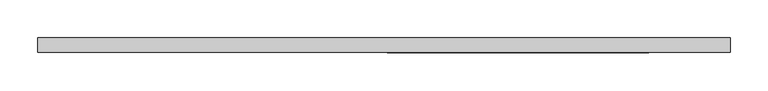
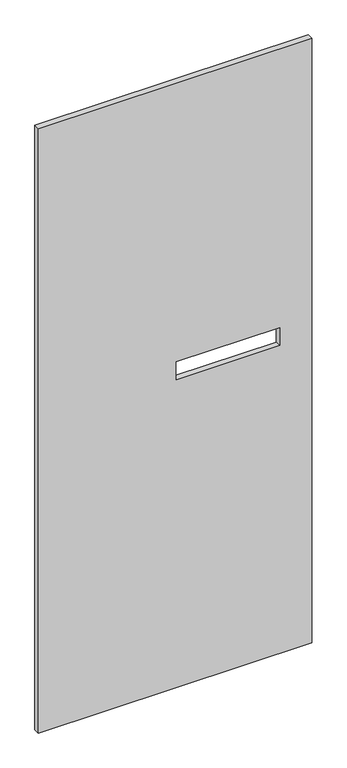
"""IFC4 building model written with IfcOpenShell, lengths in millimetres: proxy geometry."""

from ifc_helpers import new_model, si_unit, frame, origin, place, context, project, spatial, polyline, outline, extrude, source, transform, mapped, element, save


def specialty_equipment_94321aa3(model_context):
    return source(origin(), model_context, "Body", "SweptSolid", [
        extrude(outline(polyline([(2130.425, -455.3204), (3.175, -455.3204), (3.175, 455.3204), (2130.425, 455.3204), (2130.425, -455.3204)]), holes=[polyline([(1086.485, 348.488), (1086.485, 4.064), (1148.715, 4.064), (1148.715, 348.488), (1086.485, 348.488)])]), frame((0.0, -9.525, 0.0), z_axis=(0.0, 1.0, 0.0), x_axis=(0.0, 0.0, 1.0)), (0.0, 0.0, 1.0), 19.05),
    ])


if __name__ == "__main__":
    model = new_model("IFC4")
    model_context = context("Model", 3, world=origin())
    ifc_project = project(units=[si_unit("LENGTHUNIT", "METRE", prefix="MILLI")], contexts=[model_context])
    site = spatial("IfcSite", under=ifc_project)
    building = spatial("IfcBuilding", under=site)
    placement = place(None, origin())
    specialty_equipment_shape = specialty_equipment_94321aa3(model_context)
    element("IfcBuildingElementProxy", 1, Name="Specialty Equipment", at=placement, inside=building, context=model_context, shape_type="MappedRepresentation", body=[
        mapped(specialty_equipment_shape, transform((0.0, 0.0, 0.0), x_axis=(1.0, 0.0, 0.0), y_axis=(0.0, 1.0, 0.0), z_axis=(0.0, 0.0, 1.0))),
    ])
    save(model, "model.ifc")
